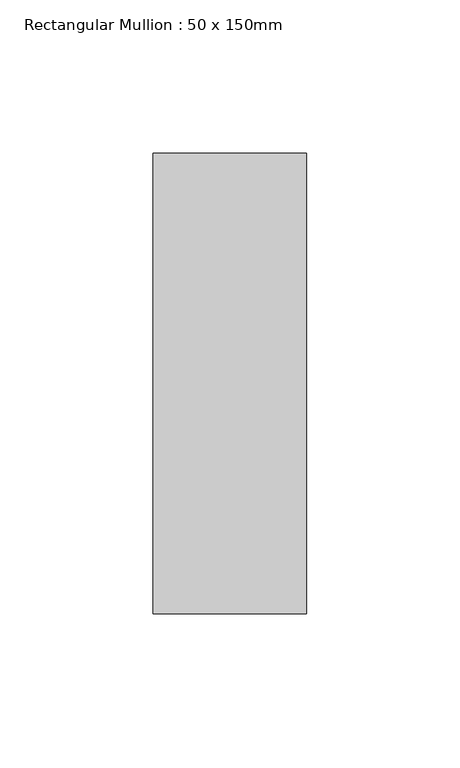
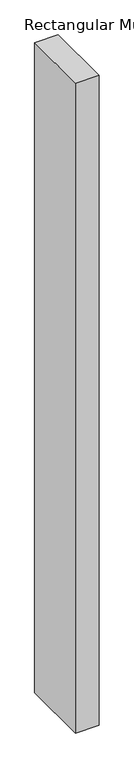
"""IFC4 building model written with IfcOpenShell, lengths in millimetres: member geometry, Rectangular Mullion : 50 x 150mm."""

from ifc_helpers import new_model, si_unit, frame, origin, place, context, project, spatial, polyline, outline, extrude, source, transform, mapped, element, save


def rectangular_mullion_50_x_150mm_ca5cb2b5(model_context):
    return source(origin(), model_context, "Body", "SweptSolid", [
        extrude(outline(polyline([(0.0, 75.0), (0.0, -75.0), (-50.0, -75.0), (-50.0, 75.0), (0.0, 75.0)])), frame((0.0, 0.0, -1461.6666667), z_axis=(0.0, 0.0, 1.0), x_axis=(1.0, 0.0, 0.0)), (0.0, 0.0, 1.0), 1461.6666667),
    ])


if __name__ == "__main__":
    model = new_model("IFC4")
    model_context = context("Model", 3, world=origin())
    ifc_project = project(units=[si_unit("LENGTHUNIT", "METRE", prefix="MILLI")], contexts=[model_context])
    site = spatial("IfcSite", under=ifc_project)
    building = spatial("IfcBuilding", under=site)
    placement = place(None, origin())
    rectangular_mullion_50_x_150mm_shape = rectangular_mullion_50_x_150mm_ca5cb2b5(model_context)
    element("IfcMember", 1, ObjectType="Rectangular Mullion : 50 x 150mm", at=placement, inside=building, context=model_context, shape_type="MappedRepresentation", body=[
        mapped(rectangular_mullion_50_x_150mm_shape, transform((0.0, 0.0, 0.0), x_axis=(1.0, 0.0, 0.0), y_axis=(0.0, 1.0, 0.0), z_axis=(0.0, 0.0, 1.0))),
    ])
    save(model, "model.ifc")
